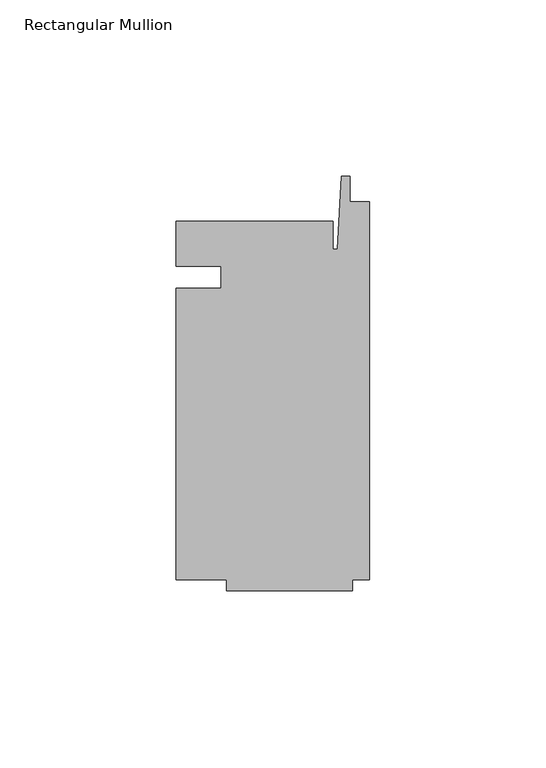
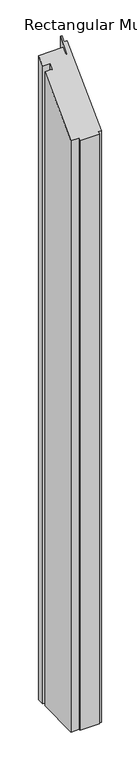
"""IFC4 building model written with IfcOpenShell, lengths in millimetres: member geometry, Rectangular Mullion."""

from ifc_helpers import new_model, si_unit, origin, place, context, project, spatial, faceted_brep, source, transform, mapped, element, save


def rectangular_mullion_54234ef5(model_context):
    return source(origin(), model_context, "Body", "Brep", [
        faceted_brep([(-42.06875, -3.175, -1219.2), (-42.06875, 3.175, -1219.2), (-54.76875, 3.175, -1219.2), (-54.76875, 15.875, -1219.2), (-10.31875, 15.875, -1219.2), (-10.31875, 7.9375, -1219.2), (-9.0190655, 7.9375, -1219.2), (-7.9375, 28.575, -1219.2), (-5.55625, 28.575, -1219.2), (-5.55625, 21.43125, -1219.2), (0.0, 21.43125, -1219.2), (0.0, -85.725, -1219.2), (-4.7625, -85.725, -1219.2), (-4.7625, -88.9, -1219.2), (-40.48125, -88.9, -1219.2), (-40.48125, -85.725, -1219.2), (-54.76875, -85.725, -1219.2), (-54.76875, -3.175, -1219.2), (-54.76875, -3.175, -3.175), (-42.06875, -3.175, -3.175), (-54.76875, -85.725, -85.725), (-40.48125, -85.725, -85.725), (-40.48125, -88.9, -88.9), (-4.7625, -88.9, -88.9), (-4.7625, -85.725, -85.725), (0.0, -85.725, -85.725), (0.0, 21.43125, 21.43125), (-5.55625, 21.43125, 21.43125), (-5.55625, 28.575, 28.575), (-7.9375, 28.575, 28.575), (-9.0190655, 7.9375, 7.9375), (-10.31875, 7.9375, 7.9375), (-10.31875, 15.875, 15.875), (-54.76875, 15.875, 15.875), (-54.76875, 3.175, 3.175), (-42.06875, 3.175, 3.175)], [[[0, 1, 2, 3, 4, 5, 6, 7, 8, 9, 10, 11, 12, 13, 14, 15, 16, 17]], [[18, 19, 0, 17]], [[20, 18, 17, 16]], [[21, 20, 16, 15]], [[22, 21, 15, 14]], [[23, 22, 14, 13]], [[24, 23, 13, 12]], [[25, 24, 12, 11]], [[26, 25, 11, 10]], [[27, 26, 10, 9]], [[28, 27, 9, 8]], [[29, 28, 8, 7]], [[30, 29, 7, 6]], [[31, 30, 6, 5]], [[32, 31, 5, 4]], [[33, 32, 4, 3]], [[34, 33, 3, 2]], [[35, 34, 2, 1]], [[19, 35, 1, 0]], [[19, 18, 20, 21, 22, 23, 24, 25, 26, 27, 28, 29, 30, 31, 32, 33, 34, 35]]]),
    ])


if __name__ == "__main__":
    model = new_model("IFC4")
    model_context = context("Model", 3, world=origin())
    ifc_project = project(units=[si_unit("LENGTHUNIT", "METRE", prefix="MILLI")], contexts=[model_context])
    site = spatial("IfcSite", under=ifc_project)
    building = spatial("IfcBuilding", under=site)
    placement = place(None, origin())
    rectangular_mullion_shape = rectangular_mullion_54234ef5(model_context)
    element("IfcMember", 1, ObjectType="Rectangular Mullion", at=placement, inside=building, context=model_context, shape_type="MappedRepresentation", body=[
        mapped(rectangular_mullion_shape, transform((0.0, 0.0, 0.0), x_axis=(1.0, 0.0, 0.0), y_axis=(0.0, 1.0, 0.0), z_axis=(0.0, 0.0, 1.0))),
    ])
    save(model, "model.ifc")
